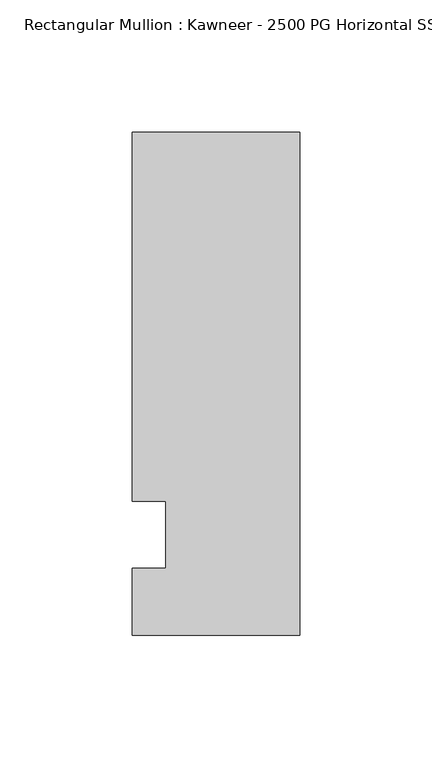
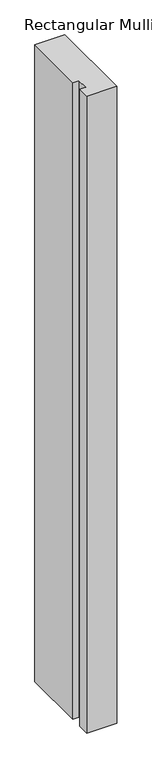
"""IFC4 building model written with IfcOpenShell, lengths in millimetres: member geometry, Rectangular Mullion : Kawneer - 2500 PG Horizontal SSG - Mullion_Sill."""

from ifc_helpers import new_model, si_unit, frame, origin, place, context, project, spatial, polyline, outline, extrude, source, transform, mapped, element, save


def rectangular_mullion_kawneer_2500_pg_horizontal_ssg_mullion_c0058d11(model_context):
    return source(origin(), model_context, "Body", "SweptSolid", [
        extrude(outline(polyline([(0.0, -95.25), (-63.5, -95.25), (-63.5, -69.8500171), (-50.8, -69.8500171), (-50.8, -44.4499829), (-63.5, -44.4499829), (-63.5, 95.25), (0.0, 95.25), (0.0, -95.25)])), frame((0.0, 0.0, -1427.6898248), z_axis=(0.0, 0.0, 1.0), x_axis=(1.0, 0.0, 0.0)), (0.0, 0.0, 1.0), 1427.6898248),
    ])


if __name__ == "__main__":
    model = new_model("IFC4")
    model_context = context("Model", 3, world=origin())
    ifc_project = project(units=[si_unit("LENGTHUNIT", "METRE", prefix="MILLI")], contexts=[model_context])
    site = spatial("IfcSite", under=ifc_project)
    building = spatial("IfcBuilding", under=site)
    placement = place(None, origin())
    rectangular_mullion_kawneer_2500_pg_horizontal_ssg_mullion_shape = rectangular_mullion_kawneer_2500_pg_horizontal_ssg_mullion_c0058d11(model_context)
    element("IfcMember", 1, ObjectType="Rectangular Mullion : Kawneer - 2500 PG Horizontal SSG - Mullion_Sill", at=placement, inside=building, context=model_context, shape_type="MappedRepresentation", body=[
        mapped(rectangular_mullion_kawneer_2500_pg_horizontal_ssg_mullion_shape, transform((0.0, 0.0, 0.0), x_axis=(1.0, 0.0, 0.0), y_axis=(0.0, 1.0, 0.0), z_axis=(0.0, 0.0, 1.0))),
    ])
    save(model, "model.ifc")
